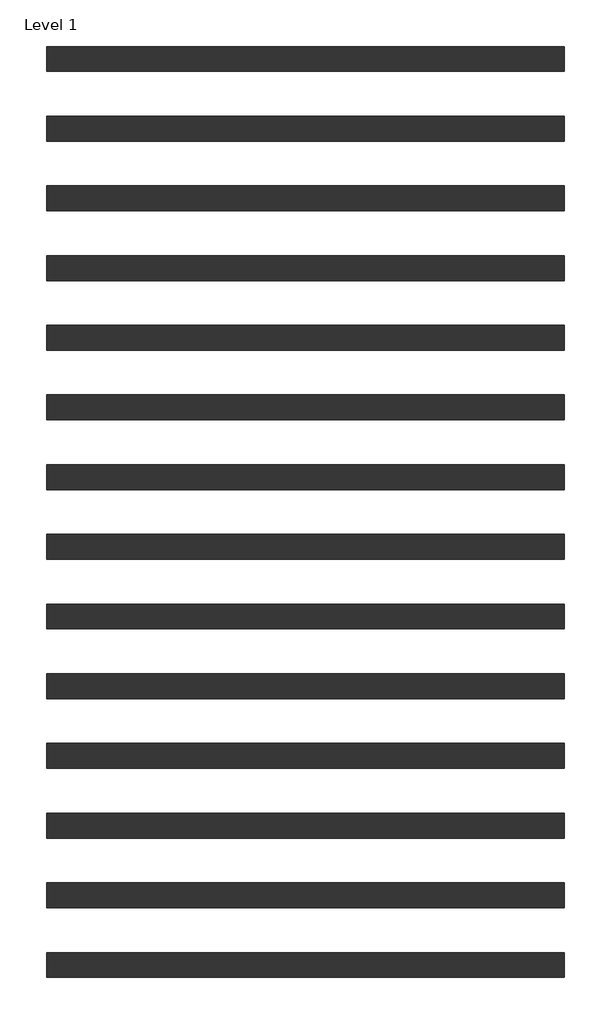
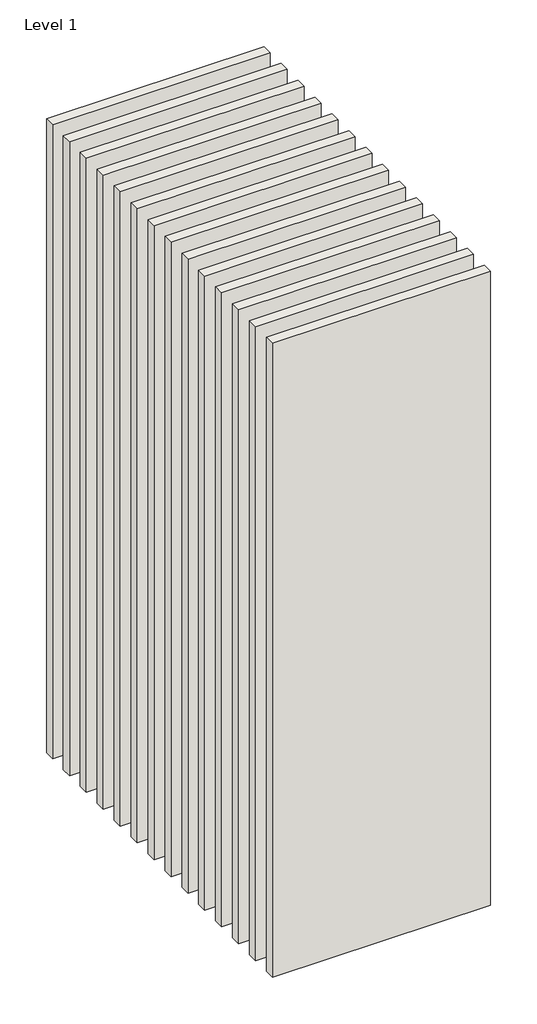
# One storey: 14 walls.
"""IFC4 building model written with IfcOpenShell, lengths in millimetres."""

from ifc_helpers import new_model, si_unit, origin, origin_with_axes, place, context, project, spatial, polyline, outline, extrude, element, save

model = new_model("IFC4")

# Units and contexts
model_context = context("Model", 3, world=origin())
ifc_project = project(units=[si_unit("LENGTHUNIT", "METRE", prefix="MILLI")], contexts=[model_context])

# Site, building, storey
site = spatial("IfcSite", under=ifc_project)
building = spatial("IfcBuilding", under=site)
storey = spatial("IfcBuildingStorey", under=building, Name="Level 1", Elevation=0.0)

# Walls
placement = place(None, origin())
element("IfcWall", 1, at=placement, inside=storey, context=model_context, shape_type="SweptSolid", body=[
    extrude(outline(polyline([(-16904.1464237, 2623.9042935), (-19504.1464237, 2623.9042935), (-19504.1464237, 2748.9042935), (-16904.1464237, 2748.9042935), (-16904.1464237, 2623.9042935)])), origin_with_axes(), (0.0, 0.0, 1.0), 8000.0),
])
element("IfcWall", 2, at=placement, inside=storey, context=model_context, shape_type="SweptSolid", body=[
    extrude(outline(polyline([(-16904.1464237, 2273.9042935), (-19504.1464237, 2273.9042935), (-19504.1464237, 2398.9042935), (-16904.1464237, 2398.9042935), (-16904.1464237, 2273.9042935)])), origin_with_axes(), (0.0, 0.0, 1.0), 8000.0),
])
element("IfcWall", 3, at=placement, inside=storey, context=model_context, shape_type="SweptSolid", body=[
    extrude(outline(polyline([(-16904.1464237, 1923.9042935), (-19504.1464237, 1923.9042935), (-19504.1464237, 2048.9042935), (-16904.1464237, 2048.9042935), (-16904.1464237, 1923.9042935)])), origin_with_axes(), (0.0, 0.0, 1.0), 8000.0),
])
element("IfcWall", 4, at=placement, inside=storey, context=model_context, shape_type="SweptSolid", body=[
    extrude(outline(polyline([(-16904.1464237, 1223.9042935), (-19504.1464237, 1223.9042935), (-19504.1464237, 1348.9042935), (-16904.1464237, 1348.9042935), (-16904.1464237, 1223.9042935)])), origin_with_axes(), (0.0, 0.0, 1.0), 8000.0),
])
element("IfcWall", 5, at=placement, inside=storey, context=model_context, shape_type="SweptSolid", body=[
    extrude(outline(polyline([(-16904.1464237, 873.9042935), (-19504.1464237, 873.9042935), (-19504.1464237, 998.9042935), (-16904.1464237, 998.9042935), (-16904.1464237, 873.9042935)])), origin_with_axes(), (0.0, 0.0, 1.0), 8000.0),
])
element("IfcWall", 6, at=placement, inside=storey, context=model_context, shape_type="SweptSolid", body=[
    extrude(outline(polyline([(-16904.1464237, 523.9042935), (-19504.1464237, 523.9042935), (-19504.1464237, 648.9042935), (-16904.1464237, 648.9042935), (-16904.1464237, 523.9042935)])), origin_with_axes(), (0.0, 0.0, 1.0), 8000.0),
])
element("IfcWall", 7, at=placement, inside=storey, context=model_context, shape_type="SweptSolid", body=[
    extrude(outline(polyline([(-16904.1464237, 1573.9042935), (-19504.1464237, 1573.9042935), (-19504.1464237, 1698.9042935), (-16904.1464237, 1698.9042935), (-16904.1464237, 1573.9042935)])), origin_with_axes(), (0.0, 0.0, 1.0), 8000.0),
])
element("IfcWall", 8, at=placement, inside=storey, context=model_context, shape_type="SweptSolid", body=[
    extrude(outline(polyline([(-16904.1464237, 173.9042935), (-19504.1464237, 173.9042935), (-19504.1464237, 298.9042935), (-16904.1464237, 298.9042935), (-16904.1464237, 173.9042935)])), origin_with_axes(), (0.0, 0.0, 1.0), 8000.0),
])
element("IfcWall", 9, at=placement, inside=storey, context=model_context, shape_type="SweptSolid", body=[
    extrude(outline(polyline([(-16904.1464237, -176.0957065), (-19504.1464237, -176.0957065), (-19504.1464237, -51.0957065), (-16904.1464237, -51.0957065), (-16904.1464237, -176.0957065)])), origin_with_axes(), (0.0, 0.0, 1.0), 8000.0),
])
element("IfcWall", 10, at=placement, inside=storey, context=model_context, shape_type="SweptSolid", body=[
    extrude(outline(polyline([(-16904.1464237, -526.0957065), (-19504.1464237, -526.0957065), (-19504.1464237, -401.0957065), (-16904.1464237, -401.0957065), (-16904.1464237, -526.0957065)])), origin_with_axes(), (0.0, 0.0, 1.0), 8000.0),
])
element("IfcWall", 11, at=placement, inside=storey, context=model_context, shape_type="SweptSolid", body=[
    extrude(outline(polyline([(-16904.1464237, -1226.0957065), (-19504.1464237, -1226.0957065), (-19504.1464237, -1101.0957065), (-16904.1464237, -1101.0957065), (-16904.1464237, -1226.0957065)])), origin_with_axes(), (0.0, 0.0, 1.0), 8000.0),
])
element("IfcWall", 12, at=placement, inside=storey, context=model_context, shape_type="SweptSolid", body=[
    extrude(outline(polyline([(-16904.1464237, -1576.0957065), (-19504.1464237, -1576.0957065), (-19504.1464237, -1451.0957065), (-16904.1464237, -1451.0957065), (-16904.1464237, -1576.0957065)])), origin_with_axes(), (0.0, 0.0, 1.0), 8000.0),
])
element("IfcWall", 13, at=placement, inside=storey, context=model_context, shape_type="SweptSolid", body=[
    extrude(outline(polyline([(-16904.1464237, -1926.0957065), (-19504.1464237, -1926.0957065), (-19504.1464237, -1801.0957065), (-16904.1464237, -1801.0957065), (-16904.1464237, -1926.0957065)])), origin_with_axes(), (0.0, 0.0, 1.0), 8000.0),
])
element("IfcWall", 14, at=placement, inside=storey, context=model_context, shape_type="SweptSolid", body=[
    extrude(outline(polyline([(-16904.1464237, -876.0957065), (-19504.1464237, -876.0957065), (-19504.1464237, -751.0957065), (-16904.1464237, -751.0957065), (-16904.1464237, -876.0957065)])), origin_with_axes(), (0.0, 0.0, 1.0), 8000.0),
])

save(model, "model.ifc")
